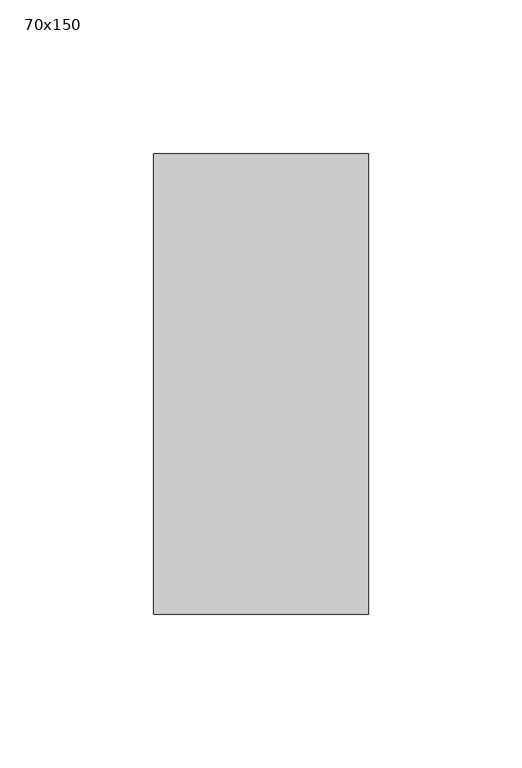
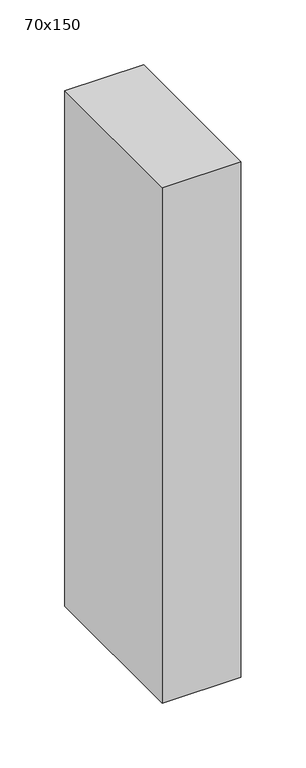
"""IFC4 building model written with IfcOpenShell, lengths in millimetres: member geometry, 70x150."""

from ifc_helpers import new_model, si_unit, frame, origin, place, context, project, spatial, polyline, outline, extrude, source, transform, mapped, element, save


def member_70x150_dd29d753(model_context):
    return source(origin(), model_context, "Body", "SweptSolid", [
        extrude(outline(polyline([(35.0, 75.0), (35.0, -75.0), (-35.0, -75.0), (-35.0, 75.0), (35.0, 75.0)])), frame((0.0, 0.0, -485.0), z_axis=(0.0, 0.0, 1.0), x_axis=(1.0, 0.0, 0.0)), (0.0, 0.0, 1.0), 485.0),
    ])


if __name__ == "__main__":
    model = new_model("IFC4")
    model_context = context("Model", 3, world=origin())
    ifc_project = project(units=[si_unit("LENGTHUNIT", "METRE", prefix="MILLI")], contexts=[model_context])
    site = spatial("IfcSite", under=ifc_project)
    building = spatial("IfcBuilding", under=site)
    placement = place(None, origin())
    member_70x150_shape = member_70x150_dd29d753(model_context)
    element("IfcMember", 1, ObjectType="70x150", at=placement, inside=building, context=model_context, shape_type="MappedRepresentation", body=[
        mapped(member_70x150_shape, transform((0.0, 0.0, 0.0), x_axis=(1.0, 0.0, 0.0), y_axis=(0.0, 1.0, 0.0), z_axis=(0.0, 0.0, 1.0))),
    ])
    save(model, "model.ifc")
